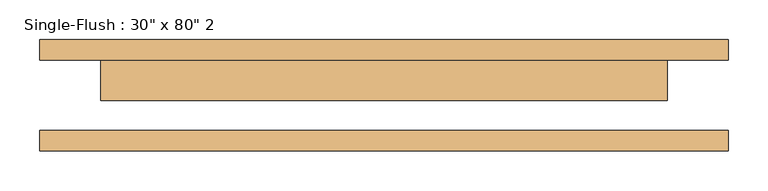
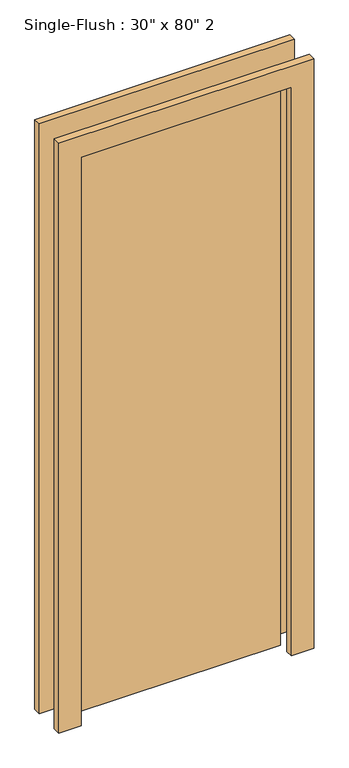
"""IFC4 building model written with IfcOpenShell, lengths in millimetres: door geometry."""

from ifc_helpers import new_model, si_unit, frame, origin, origin_with_axes, place, context, project, spatial, polyline, outline, extrude, source, transform, mapped, element, save


def door_7c88eb98(model_context):
    return source(origin(), model_context, "Body", "SweptSolid", [
        extrude(outline(polyline([(2108.2, -431.8), (0.0, -431.8), (0.0, -355.6), (2032.0, -355.6), (2032.0, 355.6), (0.0, 355.6), (0.0, 431.8), (2108.2, 431.8), (2108.2, -431.8)])), frame((0.0, 44.45, 0.0), z_axis=(0.0, 1.0, 0.0), x_axis=(0.0, 0.0, 1.0)), (0.0, 0.0, 1.0), 25.4),
        extrude(outline(polyline([(2108.2, 431.8), (2108.2, -431.8), (0.0, -431.8), (0.0, -355.6), (2032.0, -355.6), (2032.0, 355.6), (0.0, 355.6), (0.0, 431.8), (2108.2, 431.8)])), frame((0.0, -69.85, 0.0), z_axis=(0.0, 1.0, 0.0), x_axis=(0.0, 0.0, 1.0)), (0.0, 0.0, 1.0), 25.4),
        extrude(outline(polyline([(355.6, -6.35), (-355.6, -6.35), (-355.6, 44.45), (355.6, 44.45), (355.6, -6.35)])), origin_with_axes(), (0.0, 0.0, 1.0), 2032.0),
    ])


if __name__ == "__main__":
    model = new_model("IFC4")
    model_context = context("Model", 3, world=origin())
    ifc_project = project(units=[si_unit("LENGTHUNIT", "METRE", prefix="MILLI")], contexts=[model_context])
    site = spatial("IfcSite", under=ifc_project)
    building = spatial("IfcBuilding", under=site)
    placement = place(None, origin())
    door_shape = door_7c88eb98(model_context)
    element("IfcDoor", 1, ObjectType="Single-Flush : 30\" x 80\" 2", at=placement, inside=building, context=model_context, shape_type="MappedRepresentation", body=[
        mapped(door_shape, transform((0.0, 0.0, 0.0), x_axis=(1.0, 0.0, 0.0), y_axis=(0.0, 1.0, 0.0), z_axis=(0.0, 0.0, 1.0))),
    ])
    save(model, "model.ifc")
